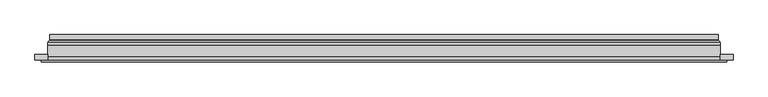
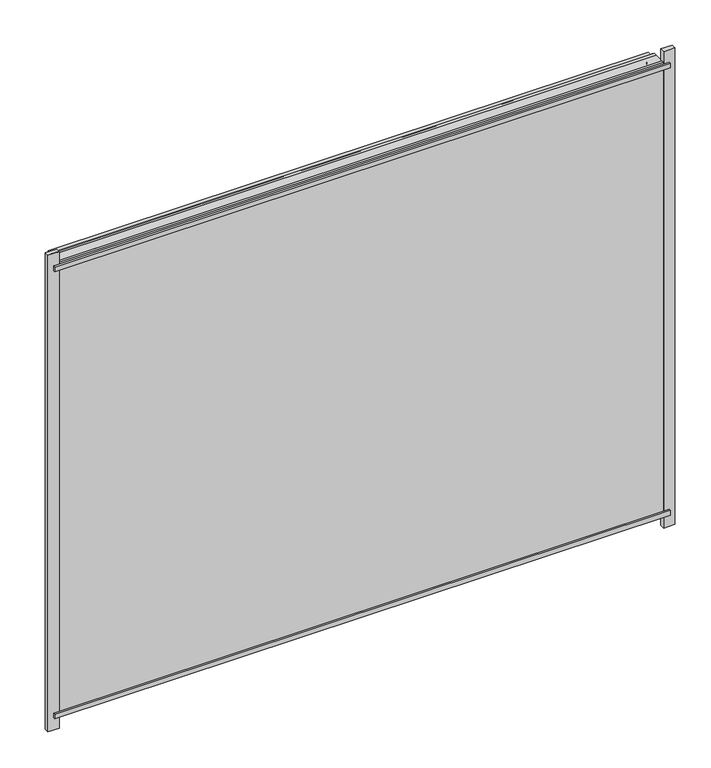
"""IFC4 building model written with IfcOpenShell, lengths in millimetres: plate geometry."""

from ifc_helpers import new_model, si_unit, frame, origin, place, context, project, spatial, polyline, ellipse_curve, outline, extrude, source, transform, mapped, element, save
from ifc_brep_helpers import plane_surface, cylinder_surface, revolved_surface, advanced_brep


def plate_516394b7(model_context):
    return source(origin(), model_context, "Body", "SolidModel", [
        extrude(outline(polyline([(625.0, -27.0), (-625.0, -27.0), (-625.0, -23.0), (625.0, -23.0), (625.0, -27.0)])), frame((0.0, 0.0, 969.5000001), z_axis=(0.0, 0.0, 1.0), x_axis=(1.0, 0.0, 0.0)), (0.0, 0.0, 1.0), 10.0),
        extrude(outline(polyline([(625.0, -27.0), (-625.0, -27.0), (-625.0, -23.0), (625.0, -23.0), (625.0, -27.0)])), frame((0.0, 0.0, 9.5), z_axis=(0.0, 0.0, 1.0), x_axis=(1.0, 0.0, 0.0)), (0.0, 0.0, 1.0), 10.0),
        extrude(outline(polyline([(-636.5, -23.0), (-636.5, -13.51), (-613.5, -13.51), (-613.5, -23.0), (-636.5, -23.0)])), frame((0.0, 0.0, -17.0), z_axis=(0.0, 0.0, 1.0), x_axis=(1.0, 0.0, 0.0)), (0.0, 0.0, 1.0), 1023.0000001),
        extrude(outline(polyline([(636.5, -23.0), (613.5, -23.0), (613.5, -13.51), (636.5, -13.51), (636.5, -23.0)])), frame((0.0, 0.0, -17.0), z_axis=(0.0, 0.0, 1.0), x_axis=(1.0, 0.0, 0.0)), (0.0, 0.0, 1.0), 1023.0000001),
        extrude(outline(polyline([(6.0, -613.5), (6.0, 613.5), (983.0000001, 613.5), (983.0000001, -613.5), (6.0, -613.5)]), holes=[polyline([(28.0, 591.5), (28.0, -591.5), (961.0000001, -591.5), (961.0000001, 591.5), (28.0, 591.5)])]), frame((0.0, -17.0, 0.0), z_axis=(0.0, 1.0, 0.0), x_axis=(0.0, 0.0, 1.0)), (0.0, 0.0, 1.0), 20.0),
        extrude(outline(polyline([(28.0, -591.5), (28.0, 591.5), (961.0000001, 591.5), (961.0000001, -591.5), (28.0, -591.5)]), holes=[polyline([(33.0, 586.5), (33.0, -586.5), (956.0000001, -586.5), (956.0000001, 586.5), (33.0, 586.5)])]), frame((0.0, -17.0, 0.0), z_axis=(0.0, 1.0, 0.0), x_axis=(0.0, 0.0, 1.0)), (0.0, 0.0, 1.0), 20.0),
        extrude(outline(polyline([(613.5, 9.0), (613.5, 3.0), (-613.5, 3.0), (-613.5, 9.0), (613.5, 9.0)])), frame((0.0, 0.0, 6.0), z_axis=(0.0, 0.0, 1.0), x_axis=(1.0, 0.0, 0.0)), (0.0, 0.0, 1.0), 977.0000001),
        extrude(outline(polyline([(-613.5, -23.0), (-613.5, -17.0), (613.5, -17.0), (613.5, -23.0), (-613.5, -23.0)])), frame((0.0, 0.0, 6.0), z_axis=(0.0, 0.0, 1.0), x_axis=(1.0, 0.0, 0.0)), (0.0, 0.0, 1.0), 977.0000001),
        advanced_brep(
        [(-609.0, 23.0, 10.5), (609.0, 23.0, 10.5), (609.0, 13.9230471, 10.5), (-609.0, 13.9230471, 10.5), (-600.0, 12.9110883, 19.5), (600.0, 12.9110883, 19.5), (600.0, 23.0, 19.5), (-600.0, 23.0, 19.5), (609.0, 23.0, 978.5000001), (609.0, 13.9230471, 978.5000001), (600.0, 12.9110883, 969.5000001), (600.0, 23.0, 969.5000001), (-609.0, 23.0, 978.5000001), (-609.0, 13.9230471, 978.5000001), (-600.0, 12.9110883, 969.5000001), (-600.0, 23.0, 969.5000001), (-610.2540757, 9.0, 9.2459243), (610.2540757, 9.0, 9.2459243), (610.2540757, 9.0, 979.7540758), (-610.2540757, 9.0, 979.7540758), (599.7, 9.0, 19.8), (-599.7, 9.0, 19.8), (-599.7, 9.0, 969.2000001), (599.7, 9.0, 969.2000001), (-599.0625, 11.2166581, 20.4375), (599.0625, 11.2166581, 20.4375), (-610.5737575, 11.9689955, 8.9262425), (610.5737575, 11.9689955, 8.9262425), (599.0625, 11.2166581, 968.5625001), (610.5737575, 11.9689955, 980.0737577), (-599.0625, 11.2166581, 968.5625001), (-610.5737575, 11.9689955, 980.0737577)],
        [
            (0, 1),
            (1, 2),
            (2, 3),
            (3, 0),
            (4, 5),
            (5, 6),
            (6, 7),
            (7, 4),
            (1, 8),
            (8, 9),
            (9, 2),
            (5, 10),
            (10, 11),
            (11, 6),
            (8, 12),
            (12, 13),
            (13, 9),
            (10, 14),
            (14, 15),
            (15, 11),
            (16, 17),
            (17, 18),
            (18, 19),
            (19, 16),
            (20, 21),
            (21, 22),
            (22, 23),
            (23, 20),
            (12, 0),
            (3, 13),
            (15, 7),
            (14, 4),
            (24, 25),
            (25, 5, ellipse_curve(frame((598.0, 12.9110883, 21.5), z_axis=(0.7071067811865475, 0.0, 0.7071067811865475), x_axis=(0.7071067811865476, 0.0, -0.7071067811865474)), 2.8284271, 2.0)),
            (4, 24, ellipse_curve(frame((-598.0, 12.9110883, 21.5), z_axis=(-0.7071067811865475, 0.0, 0.7071067811865475), x_axis=(0.7071067811865476, 0.0, 0.7071067811865474)), 2.8284271, 2.0)),
            (20, 25, ellipse_curve(frame((599.7, 10.2, 19.8), z_axis=(-0.7071067811865475, 0.0, -0.7071067811865475), x_axis=(-0.7071067811865476, 0.0, 0.7071067811865474)), 1.6970563, 1.2)),
            (24, 21, ellipse_curve(frame((-599.7, 10.2, 19.8), z_axis=(0.7071067811865475, 0.0, -0.7071067811865475), x_axis=(-0.7071067811865476, 0.0, -0.7071067811865474)), 1.6970563, 1.2)),
            (26, 27),
            (27, 17, ellipse_curve(frame((610.2540757, 10.5034569, 9.2459243), z_axis=(-0.7071067811865475, 0.0, -0.7071067811865475), x_axis=(-0.7071067811865476, 0.0, 0.7071067811865474)), 2.1213203, 1.5)),
            (16, 26, ellipse_curve(frame((-610.2540757, 10.5034569, 9.2459243), z_axis=(0.7071067811865475, 0.0, -0.7071067811865475), x_axis=(-0.7071067811865476, 0.0, -0.7071067811865474)), 2.1213203, 1.5)),
            (25, 28),
            (28, 10, ellipse_curve(frame((598.0, 12.9110883, 967.5000001), z_axis=(-0.7071067811865475, 0.0, 0.7071067811865475), x_axis=(0.7071067811865474, 0.0, 0.7071067811865476)), 2.8284271, 2.0)),
            (23, 28, ellipse_curve(frame((599.7, 10.2, 969.2000001), z_axis=(0.7071067811865475, 0.0, -0.7071067811865475), x_axis=(-0.7071067811865474, 0.0, -0.7071067811865476)), 1.6970563, 1.2)),
            (27, 29),
            (29, 18, ellipse_curve(frame((610.2540757, 10.5034569, 979.7540758), z_axis=(0.7071067811865475, 0.0, -0.7071067811865475), x_axis=(-0.7071067811865474, 0.0, -0.7071067811865476)), 2.1213203, 1.5)),
            (28, 30),
            (30, 14, ellipse_curve(frame((-598.0, 12.9110883, 967.5000001), z_axis=(-0.7071067811865475, 0.0, -0.7071067811865475), x_axis=(-0.7071067811865476, 0.0, 0.7071067811865474)), 2.8284271, 2.0)),
            (22, 30, ellipse_curve(frame((-599.7, 10.2, 969.2000001), z_axis=(0.7071067811865475, 0.0, 0.7071067811865475), x_axis=(0.7071067811865476, 0.0, -0.7071067811865474)), 1.6970563, 1.2)),
            (29, 31),
            (31, 19, ellipse_curve(frame((-610.2540757, 10.5034569, 979.7540758), z_axis=(0.7071067811865475, 0.0, 0.7071067811865475), x_axis=(0.7071067811865476, 0.0, -0.7071067811865474)), 2.1213203, 1.5)),
            (30, 24),
            (31, 26),
            (2, 27, ellipse_curve(frame((611.0, 13.9230471, 8.5), z_axis=(0.7071067811865475, 0.0, 0.7071067811865475), x_axis=(0.7071067811865476, 0.0, -0.7071067811865474)), 2.8284271, 2.0)),
            (26, 3, ellipse_curve(frame((-611.0, 13.9230471, 8.5), z_axis=(-0.7071067811865475, 0.0, 0.7071067811865475), x_axis=(0.7071067811865476, 0.0, 0.7071067811865474)), 2.8284271, 2.0)),
            (9, 29, ellipse_curve(frame((611.0, 13.9230471, 980.5000001), z_axis=(-0.7071067811865475, 0.0, 0.7071067811865475), x_axis=(0.7071067811865474, 0.0, 0.7071067811865476)), 2.8284271, 2.0)),
            (13, 31, ellipse_curve(frame((-611.0, 13.9230471, 980.5000001), z_axis=(-0.7071067811865475, 0.0, -0.7071067811865475), x_axis=(-0.7071067811865476, 0.0, 0.7071067811865474)), 2.8284271, 2.0)),
        ],
        [
            plane_surface(frame((-609.0, 13.9230471, 10.5), z_axis=(0.0, 0.0, -1.0), x_axis=(1.0, 0.0, 0.0))),
            plane_surface(frame((-600.0, 23.0, 19.5), z_axis=(0.0, 0.0, 1.0), x_axis=(1.0, 0.0, 0.0))),
            plane_surface(frame((609.0, 13.9230471, 10.5), z_axis=(1.0, 0.0, 0.0), x_axis=(0.0, 0.0, 1.0))),
            plane_surface(frame((600.0, 23.0, 19.5), z_axis=(-1.0, 0.0, 0.0), x_axis=(0.0, 0.0, 1.0))),
            plane_surface(frame((609.0, 13.9230471, 978.5000001), z_axis=(0.0, 0.0, 1.0), x_axis=(-1.0, 0.0, 0.0))),
            plane_surface(frame((600.0, 23.0, 969.5000001), z_axis=(0.0, 0.0, -1.0), x_axis=(-1.0, 0.0, 0.0))),
            plane_surface(frame((-599.7, 9.0, 969.2000001), z_axis=(0.0, -1.0, 0.0), x_axis=(0.0, 0.0, -1.0))),
            plane_surface(frame((-609.0, 13.9230471, 978.5000001), z_axis=(-1.0, 0.0, 0.0), x_axis=(0.0, 0.0, -1.0))),
            plane_surface(frame((-609.0, 23.0, 978.5000001), z_axis=(0.0, 1.0, 0.0), x_axis=(0.0, 0.0, -1.0))),
            plane_surface(frame((-600.0, 23.0, 969.5000001), z_axis=(1.0, 0.0, 0.0), x_axis=(0.0, 0.0, -1.0))),
            revolved_surface(polyline([(600.0, 10.9110883, 21.5), (-600.0, 10.9110883, 21.5)]), (-613.5, 12.9110883, 21.5), (1.0, 0.0, 0.0)),
            cylinder_surface(frame((-613.5, 10.2, 19.8), z_axis=(-1.0, 0.0, 0.0), x_axis=(0.0, -1.0, 0.0)), 1.2),
            cylinder_surface(frame((-613.5, 10.5034569, 9.2459243), z_axis=(-1.0, 0.0, 0.0), x_axis=(0.0, -1.0, 0.0)), 1.5),
            revolved_surface(polyline([(598.0, 10.9110883, 969.5000001), (598.0, 10.9110883, 19.5)]), (598.0, 12.9110883, 6.0), (0.0, 0.0, 1.0)),
            cylinder_surface(frame((599.7, 10.2, 6.0), z_axis=(0.0, 0.0, -1.0), x_axis=(0.0, -1.0, 0.0)), 1.2),
            cylinder_surface(frame((610.2540757, 10.5034569, 6.0), z_axis=(0.0, 0.0, -1.0), x_axis=(0.0, -1.0, 0.0)), 1.5),
            revolved_surface(polyline([(-600.0, 10.9110883, 967.5000001), (600.0, 10.9110883, 967.5000001)]), (613.5, 12.9110883, 967.5000001), (-1.0, 0.0, 0.0)),
            cylinder_surface(frame((613.5, 10.2, 969.2000001), z_axis=(1.0, 0.0, 0.0), x_axis=(0.0, -1.0, 0.0)), 1.2),
            cylinder_surface(frame((613.5, 10.5034569, 979.7540758), z_axis=(1.0, 0.0, 0.0), x_axis=(0.0, -1.0, 0.0)), 1.5),
            revolved_surface(polyline([(-598.0, 10.9110883, 19.5), (-598.0, 10.9110883, 969.5000001)]), (-598.0, 12.9110883, 983.0000001), (0.0, 0.0, -1.0)),
            cylinder_surface(frame((-599.7, 10.2, 983.0000001), z_axis=(0.0, 0.0, 1.0), x_axis=(0.0, -1.0, 0.0)), 1.2),
            cylinder_surface(frame((-610.2540757, 10.5034569, 983.0000001), z_axis=(0.0, 0.0, 1.0), x_axis=(0.0, -1.0, 0.0)), 1.5),
            revolved_surface(polyline([(612.9999999825018, 11.9230471, 8.5), (-612.9999999825018, 11.9230471, 8.5)]), (-613.5, 13.9230471, 8.5), (1.0, 0.0, 0.0)),
            revolved_surface(polyline([(611.0, 11.9230471, 982.5000000825017), (611.0, 11.9230471, 6.500000017498199)]), (611.0, 13.9230471, 6.0), (0.0, 0.0, 1.0)),
            revolved_surface(polyline([(-612.9999999825018, 11.9230471, 980.5000001), (612.9999999825018, 11.9230471, 980.5000001)]), (613.5, 13.9230471, 980.5000001), (-1.0, 0.0, 0.0)),
            revolved_surface(polyline([(-611.0, 11.9230471, 6.500000017498223), (-611.0, 11.9230471, 982.5000000825017)]), (-611.0, 13.9230471, 983.0000001), (0.0, 0.0, -1.0)),
        ],
        [
            (0, [[1, 2, 3, 4]]),
            (1, [[5, 6, 7, 8]]),
            (2, [[9, 10, 11, -2]]),
            (3, [[12, 13, 14, -6]]),
            (4, [[15, 16, 17, -10]]),
            (5, [[18, 19, 20, -13]]),
            (6, [[21, 22, 23, 24], [25, 26, 27, 28]]),
            (7, [[29, -4, 30, -16]]),
            (8, [[-1, -29, -15, -9], [-7, -14, -20, 31]]),
            (9, [[32, -8, -31, -19]]),
            (10, [[33, 34, -5, 35]]),
            (11, [[-25, 36, -33, 37]]),
            (12, [[38, 39, -21, 40]]),
            (13, [[41, 42, -12, -34]]),
            (14, [[-28, 43, -41, -36]]),
            (15, [[44, 45, -22, -39]]),
            (16, [[46, 47, -18, -42]]),
            (17, [[-27, 48, -46, -43]]),
            (18, [[49, 50, -23, -45]]),
            (19, [[51, -35, -32, -47]]),
            (20, [[-26, -37, -51, -48]]),
            (21, [[52, -40, -24, -50]]),
            (22, [[-3, 53, -38, 54]]),
            (23, [[-11, 55, -44, -53]]),
            (24, [[-17, 56, -49, -55]]),
            (25, [[-30, -54, -52, -56]]),
        ],
    ),
    ])


if __name__ == "__main__":
    model = new_model("IFC4")
    model_context = context("Model", 3, world=origin())
    ifc_project = project(units=[si_unit("LENGTHUNIT", "METRE", prefix="MILLI")], contexts=[model_context])
    site = spatial("IfcSite", under=ifc_project)
    building = spatial("IfcBuilding", under=site)
    placement = place(None, origin())
    plate_shape = plate_516394b7(model_context)
    element("IfcPlate", 1, at=placement, inside=building, context=model_context, shape_type="MappedRepresentation", body=[
        mapped(plate_shape, transform((0.0, 0.0, 0.0), x_axis=(1.0, 0.0, 0.0), y_axis=(0.0, 1.0, 0.0), z_axis=(0.0, 0.0, 1.0))),
    ])
    save(model, "model.ifc")
